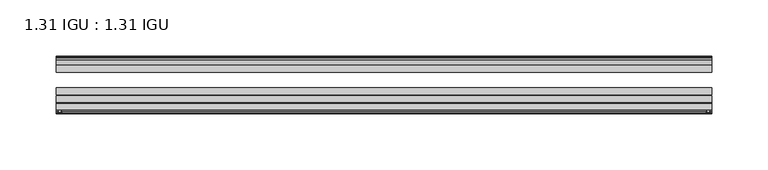
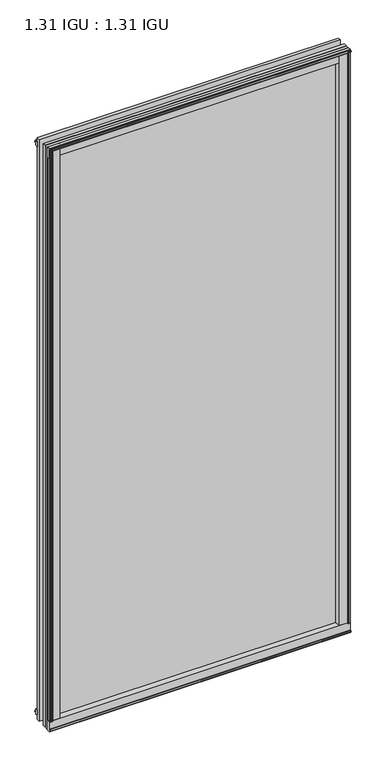
"""IFC4 building model written with IfcOpenShell, lengths in millimetres: plate geometry, 1.31 IGU : 1.31 IGU."""

from ifc_helpers import new_model, si_unit, point, frame, frame_2d, origin, origin_with_axes, place, context, project, spatial, polyline, circle_curve, trimmed, segment, composite_curve, outline, extrude, source, transform, mapped, element, save


def plate_1_31_igu_1_31_igu_f3960def(model_context):
    return source(origin(), model_context, "Body", "SweptSolid", [
        extrude(outline(composite_curve([segment(polyline([(287.3495906, -57.6333938), (271.1648437, -57.6333938)]), True, "CONTINUOUS"), segment(trimmed(circle_curve(frame_2d((263.8701146, -57.6547678)), 7.2947605), [point((271.1648437, -57.6333938))], [point((267.4224551, -51.2833938))], True, "CARTESIAN"), True, "CONTINUOUS"), segment(polyline([(267.4224551, -51.2833938), (290.292876, -51.2833938)]), True, "CONTINUOUS"), segment(trimmed(circle_curve(frame_2d((290.292876, -52.0707938)), 0.7874), [point((290.292876, -51.2833938))], [point((291.0744069, -51.9748338))], False, "CARTESIAN"), True, "CONTINUOUS"), segment(polyline([(291.0744069, -51.9748338), (291.7691906, -57.6333938), (289.8387906, -57.6333938), (289.3815906, -59.624458), (290.3829525, -59.3561439), (290.6261906, -60.263921), (288.5941906, -60.8083938), (286.5621906, -60.263921), (286.8054288, -59.3561439), (287.8067906, -59.624458), (287.3495906, -57.6333938)]), True, "CONTINUOUS")], self_intersect=False)), origin_with_axes(), (0.0, 0.0, 1.0), 1174.75),
        extrude(outline(composite_curve([segment(polyline([(-271.4625, -57.6333937), (-287.6472469, -57.6333937), (-288.1044469, -59.624458), (-287.103085, -59.3561439), (-286.8598469, -60.263921), (-288.8918469, -60.8083937), (-290.9238469, -60.263921), (-290.6806088, -59.3561439), (-289.6792469, -59.624458), (-290.1364469, -57.6333937), (-292.0668469, -57.6333937), (-291.3720631, -51.9748338)]), True, "CONTINUOUS"), segment(trimmed(circle_curve(frame_2d((-290.5905323, -52.0707937)), 0.7874), [point((-291.3720631, -51.9748338))], [point((-290.5905323, -51.2833937))], False, "CARTESIAN"), True, "CONTINUOUS"), segment(polyline([(-290.5905323, -51.2833937), (-267.7201114, -51.2833937)]), True, "CONTINUOUS"), segment(trimmed(circle_curve(frame_2d((-264.1677708, -57.6547678)), 7.2947605), [point((-267.7201114, -51.2833937))], [point((-271.4625, -57.6333937))], True, "CARTESIAN"), True, "CONTINUOUS")], self_intersect=False)), origin_with_axes(), (0.0, 0.0, 1.0), 1174.75),
        extrude(outline(polyline([(-9.7543937, -6.8579998), (-10.4009552, -9.2709998), (-11.2596632, -9.0409097), (-10.8839895, -7.6388763), (-13.1833937, -8.3819998), (-13.1833937, -11.7850089), (-17.9585937, -10.1533914), (-17.9585937, 0.6595133), (-13.1833937, -0.5079998), (-13.1833937, -5.4609998), (-10.8839895, -6.0771233), (-11.2596632, -4.6750899), (-10.4009552, -4.4449998), (-9.7543937, -6.8579998)])), frame((-292.1, 0.0, 0.0), z_axis=(1.0, 0.0, 0.0), x_axis=(0.0, 1.0, 0.0)), (0.0, 0.0, 1.0), 583.9023438),
        extrude(outline(composite_curve([segment(polyline([(-51.9748338, -19.930016), (-57.6333937, -20.6247998), (-57.6333937, -18.6943998), (-59.624458, -18.2371998), (-59.3561439, -19.2385617), (-60.263921, -19.4817998), (-60.8083937, -17.4497998), (-60.263921, -15.4177998), (-59.3561439, -15.6610379), (-59.624458, -16.6623998), (-57.6333937, -16.2051998), (-57.6333937, 0.0127002)]), True, "CONTINUOUS"), segment(trimmed(circle_curve(frame_2d((-58.1588233, 7.9620141)), 7.9666598), [point((-57.6333937, 0.0127002))], [point((-51.2833937, 3.9375717))], True, "CARTESIAN"), True, "CONTINUOUS"), segment(polyline([(-51.2833937, 3.9375717), (-51.2833937, -19.1484852)]), True, "CONTINUOUS"), segment(trimmed(circle_curve(frame_2d((-52.0707937, -19.1484852)), 0.7874), [point((-51.2833937, -19.1484852))], [point((-51.9748338, -19.930016))], False, "CARTESIAN"), True, "CONTINUOUS")], self_intersect=False)), frame((-292.1, 0.0, 0.0), z_axis=(1.0, 0.0, 0.0), x_axis=(0.0, 1.0, 0.0)), (0.0, 0.0, 1.0), 583.9023438),
        extrude(outline(polyline([(-17.9585937, 1165.8533914), (-13.1833937, 1167.4850089), (-13.1833937, 1164.0819998), (-10.8839895, 1163.3388763), (-11.2596632, 1164.7409097), (-10.4009552, 1164.9709998), (-9.7543937, 1162.5579998), (-10.4009552, 1160.1449998), (-11.2596632, 1160.3750899), (-10.8839895, 1161.7771233), (-13.1833937, 1161.1609998), (-13.1833937, 1156.2079998), (-17.9585937, 1155.0404867), (-17.9585937, 1165.8533914)])), frame((-292.1, 0.0, 0.0), z_axis=(1.0, 0.0, 0.0), x_axis=(0.0, 1.0, 0.0)), (0.0, 0.0, 1.0), 583.9023438),
        extrude(outline(composite_curve([segment(trimmed(circle_curve(frame_2d((-52.0707937, 1174.8484852)), 0.7874), [point((-51.9748338, 1175.630016))], [point((-51.2833937, 1174.8484852))], False, "CARTESIAN"), True, "CONTINUOUS"), segment(polyline([(-51.2833937, 1174.8484852), (-51.2833937, 1151.7624283)]), True, "CONTINUOUS"), segment(trimmed(circle_curve(frame_2d((-58.1588233, 1147.7379859)), 7.9666598), [point((-51.2833937, 1151.7624283))], [point((-57.6333937, 1155.6872998))], True, "CARTESIAN"), True, "CONTINUOUS"), segment(polyline([(-57.6333937, 1155.6872998), (-57.6333937, 1171.9051998), (-59.624458, 1172.3623998), (-59.3561439, 1171.3610379), (-60.263921, 1171.1177998), (-60.8083937, 1173.1497998), (-60.263921, 1175.1817998), (-59.3561439, 1174.9385617), (-59.624458, 1173.9371998), (-57.6333937, 1174.3943998), (-57.6333937, 1176.3247998), (-51.9748338, 1175.630016)]), True, "CONTINUOUS")], self_intersect=False)), frame((-292.1, 0.0, 0.0), z_axis=(1.0, 0.0, 0.0), x_axis=(0.0, 1.0, 0.0)), (0.0, 0.0, 1.0), 583.9023438),
        extrude(outline(polyline([(-280.6888763, -10.8839895), (-282.0909097, -11.2596632), (-282.3209998, -10.4009552), (-279.9079998, -9.7543937), (-277.4949998, -10.4009552), (-277.7250899, -11.2596632), (-279.1271233, -10.8839895), (-278.5109998, -13.1833937), (-273.5579998, -13.1833937), (-272.3904867, -17.9585937), (-283.2033914, -17.9585937), (-284.8350089, -13.1833937), (-281.4319998, -13.1833937), (-280.6888763, -10.8839895)])), origin_with_axes(), (0.0, 0.0, 1.0), 1155.7),
        extrude(outline(polyline([(280.7015765, -10.8839895), (281.4447, -13.1833937), (284.8477091, -13.1833937), (283.2160916, -17.9585937), (272.4031869, -17.9585937), (273.5707, -13.1833937), (278.5237, -13.1833937), (279.1398235, -10.8839895), (277.7377901, -11.2596632), (277.5077, -10.4009552), (279.9207, -9.7543937), (282.3337, -10.4009552), (282.1036099, -11.2596632), (280.7015765, -10.8839895)])), origin_with_axes(), (0.0, 0.0, 1.0), 1155.7),
        extrude(outline(polyline([(291.8023437, -17.9585937), (291.8023437, -24.3085937), (-292.1, -24.3085937), (-292.1, -17.9585937), (291.8023437, -17.9585937)])), frame((0.0, 0.0, -19.0372998), z_axis=(0.0, 0.0, 1.0), x_axis=(1.0, 0.0, 0.0)), (0.0, 0.0, 1.0), 1193.7872998),
        extrude(outline(polyline([(-292.1, -44.1459937), (-292.1, -37.7959937), (291.8023437, -37.7959937), (291.8023437, -44.1459937), (-292.1, -44.1459937)])), frame((0.0, 0.0, -19.0372998), z_axis=(0.0, 0.0, 1.0), x_axis=(1.0, 0.0, 0.0)), (0.0, 0.0, 1.0), 1193.7872998),
        extrude(outline(polyline([(-292.1, -51.2833937), (-292.1, -44.9333937), (291.8023437, -44.9333937), (291.8023437, -51.2833937), (-292.1, -51.2833937)])), frame((0.0, 0.0, -19.0372998), z_axis=(0.0, 0.0, 1.0), x_axis=(1.0, 0.0, 0.0)), (0.0, 0.0, 1.0), 1193.7872998),
    ])


if __name__ == "__main__":
    model = new_model("IFC4")
    model_context = context("Model", 3, world=origin())
    ifc_project = project(units=[si_unit("LENGTHUNIT", "METRE", prefix="MILLI")], contexts=[model_context])
    site = spatial("IfcSite", under=ifc_project)
    building = spatial("IfcBuilding", under=site)
    placement = place(None, origin())
    plate_1_31_igu_1_31_igu_shape = plate_1_31_igu_1_31_igu_f3960def(model_context)
    element("IfcPlate", 1, ObjectType="1.31 IGU : 1.31 IGU", at=placement, inside=building, context=model_context, shape_type="MappedRepresentation", body=[
        mapped(plate_1_31_igu_1_31_igu_shape, transform((0.0, 0.0, 0.0), x_axis=(1.0, 0.0, 0.0), y_axis=(0.0, 1.0, 0.0), z_axis=(0.0, 0.0, 1.0))),
    ])
    save(model, "model.ifc")
